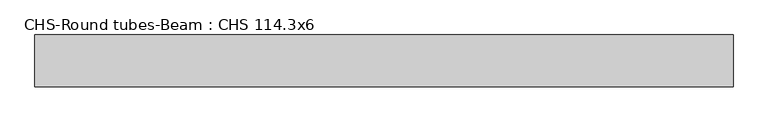
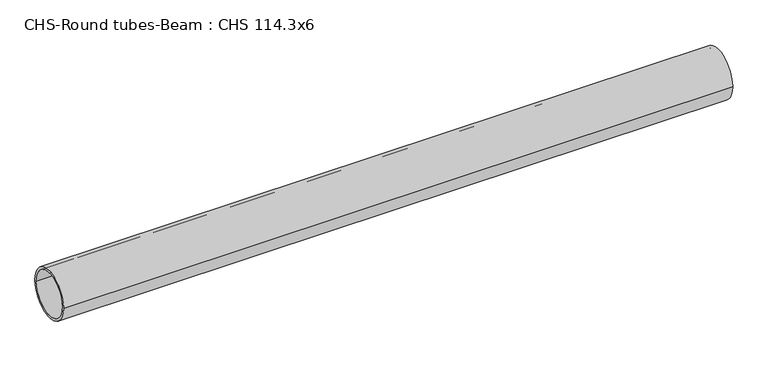
"""IFC4 building model written with IfcOpenShell, lengths in millimetres: beam geometry, CHS-Round tubes-Beam : CHS 114.3x6."""

from ifc_helpers import new_model, si_unit, point, frame, origin, origin_2d, place, context, project, spatial, circle_curve, trimmed, segment, composite_curve, outline, extrude, source, transform, mapped, element, save


def chs_round_tubes_beam_chs_114_3x6_c7920b23(model_context):
    return source(origin(), model_context, "Body", "SweptSolid", [
        extrude(outline(composite_curve([segment(trimmed(circle_curve(origin_2d(), 57.15), [point((57.15, 0.0))], [point((-57.15, 0.0))], False, "CARTESIAN"), True, "CONTINUOUS"), segment(trimmed(circle_curve(origin_2d(), 57.15), [point((-57.15, 0.0))], [point((57.15, 0.0))], False, "CARTESIAN"), True, "CONTINUOUS")], self_intersect=False), holes=[composite_curve([segment(trimmed(circle_curve(origin_2d(), 51.15), [point((51.15, 0.0))], [point((-51.15, 0.0))], True, "CARTESIAN"), True, "CONTINUOUS"), segment(trimmed(circle_curve(origin_2d(), 51.15), [point((-51.15, 0.0))], [point((51.15, 0.0))], True, "CARTESIAN"), True, "CONTINUOUS")], self_intersect=False)]), frame((-759.0285848, 0.0, 0.0), z_axis=(1.0, 0.0, 0.0), x_axis=(0.0, 1.0, 0.0)), (0.0, 0.0, 1.0), 1537.8639251),
    ])


if __name__ == "__main__":
    model = new_model("IFC4")
    model_context = context("Model", 3, world=origin())
    ifc_project = project(units=[si_unit("LENGTHUNIT", "METRE", prefix="MILLI")], contexts=[model_context])
    site = spatial("IfcSite", under=ifc_project)
    building = spatial("IfcBuilding", under=site)
    placement = place(None, origin())
    chs_round_tubes_beam_chs_114_3x6_shape = chs_round_tubes_beam_chs_114_3x6_c7920b23(model_context)
    element("IfcBeam", 1, ObjectType="CHS-Round tubes-Beam : CHS 114.3x6", at=placement, inside=building, context=model_context, shape_type="MappedRepresentation", body=[
        mapped(chs_round_tubes_beam_chs_114_3x6_shape, transform((0.0, 0.0, 0.0), x_axis=(1.0, 0.0, 0.0), y_axis=(0.0, 1.0, 0.0), z_axis=(0.0, 0.0, 1.0))),
    ])
    save(model, "model.ifc")
